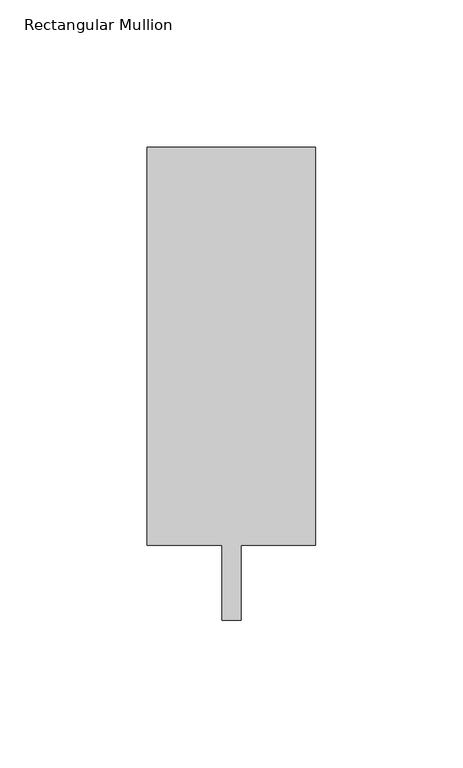
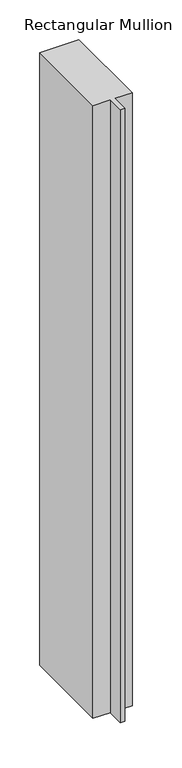
"""IFC4 building model written with IfcOpenShell, lengths in millimetres: member geometry, Rectangular Mullion."""

from ifc_helpers import new_model, si_unit, frame, origin, place, context, project, spatial, polyline, outline, extrude, source, transform, mapped, element, save


def rectangular_mullion_2fd286eb(model_context):
    return source(origin(), model_context, "Body", "SweptSolid", [
        extrude(outline(polyline([(28.575, 147.6375), (28.575, 12.7), (3.175, 12.7), (3.175, -12.7), (-3.175, -12.7), (-3.175, 12.7), (-28.575, 12.7), (-28.575, 147.6375), (28.575, 147.6375)])), frame((0.0, 0.0, -946.15), z_axis=(0.0, 0.0, 1.0), x_axis=(1.0, 0.0, 0.0)), (0.0, 0.0, 1.0), 946.15),
    ])


if __name__ == "__main__":
    model = new_model("IFC4")
    model_context = context("Model", 3, world=origin())
    ifc_project = project(units=[si_unit("LENGTHUNIT", "METRE", prefix="MILLI")], contexts=[model_context])
    site = spatial("IfcSite", under=ifc_project)
    building = spatial("IfcBuilding", under=site)
    placement = place(None, origin())
    rectangular_mullion_shape = rectangular_mullion_2fd286eb(model_context)
    element("IfcMember", 1, ObjectType="Rectangular Mullion", at=placement, inside=building, context=model_context, shape_type="MappedRepresentation", body=[
        mapped(rectangular_mullion_shape, transform((0.0, 0.0, 0.0), x_axis=(1.0, 0.0, 0.0), y_axis=(0.0, 1.0, 0.0), z_axis=(0.0, 0.0, 1.0))),
    ])
    save(model, "model.ifc")
